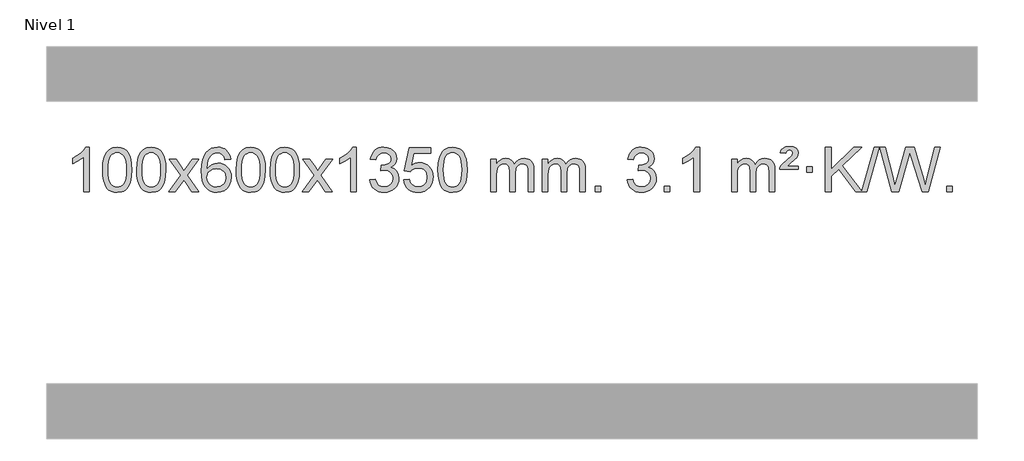
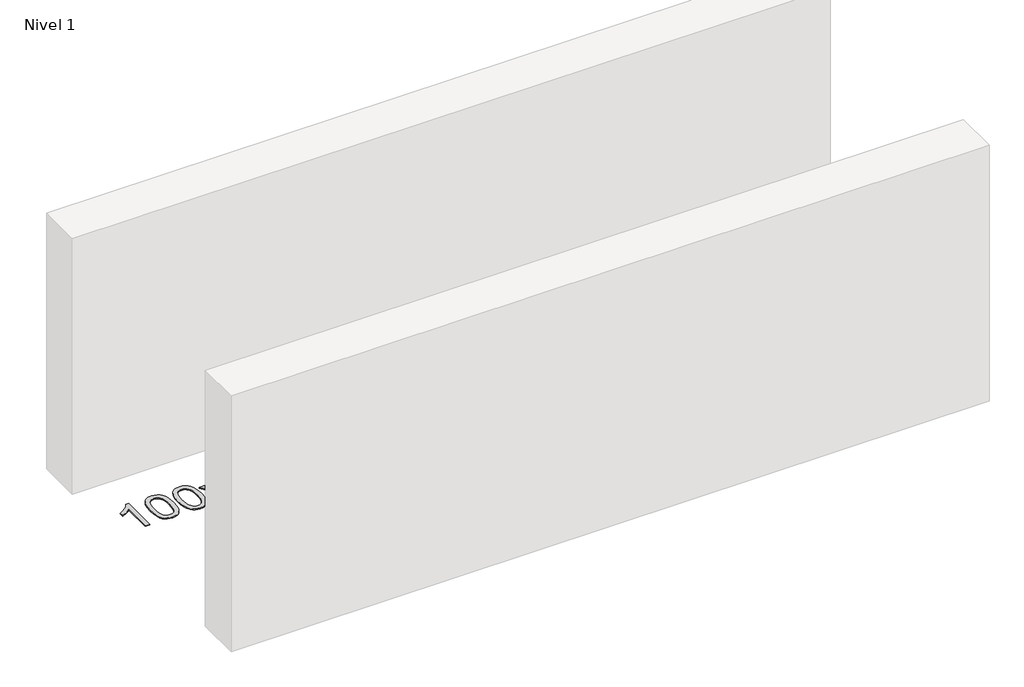
# One storey, part 5 of 15: 1 proxy.
"""IFC4 building model written with IfcOpenShell, lengths in millimetres."""

from ifc_helpers import new_model, si_unit, origin, origin_with_axes, place, context, project, spatial, polyline, outline, extrude, element, save

model = new_model("IFC4")

# Units and contexts
model_context = context("Model", 3, world=origin())
ifc_project = project(units=[si_unit("LENGTHUNIT", "METRE", prefix="MILLI")], contexts=[model_context])

# Site, building, storey
site = spatial("IfcSite", under=ifc_project)
building = spatial("IfcBuilding", under=site)
storey = spatial("IfcBuildingStorey", under=building, Name="Nivel 1", Elevation=0.0)

# Proxy
placement = place(None, origin())
element("IfcBuildingElementProxy", 1, Name="Texto de modelo 1", ObjectType="Texto de modelo 1", at=placement, inside=storey, context=model_context, shape_type="SweptSolid", body=[
    extrude(outline(polyline([(-25791.6185243, -6674.6168569), (-25841.8466794, -6674.6168569), (-25841.8466794, -6361.4757026), (-25862.8159531, -6378.4350626), (-25889.4260841, -6395.3698971), (-25942.3029895, -6420.7292293), (-25942.3029895, -6373.2479264), (-25902.8537769, -6351.7881434), (-25868.6775396, -6326.2571329), (-25841.7363148, -6299.1074417), (-25823.9921399, -6272.7916163), (-25791.6185243, -6272.7916163), (-25791.6185243, -6674.6168569)])), origin_with_axes(), (0.0, 0.0, 1.0), 10.0),
    extrude(outline(polyline([(-25672.326656, -6476.9415981), (-25668.6355733, -6412.6235626), (-25657.5623253, -6361.3285498), (-25639.2172764, -6322.2717446), (-25627.3592135, -6307.0383643), (-25613.7107915, -6294.6683323), (-25598.2260251, -6285.097269), (-25580.8589293, -6278.2607953), (-25540.4777489, -6272.7916163), (-25509.5266104, -6276.0289778), (-25481.8128334, -6285.7410625), (-25458.6362678, -6301.5477256), (-25441.296763, -6323.0688223), (-25428.200164, -6350.1204117), (-25417.7523154, -6382.5185527), (-25410.9097102, -6423.6600225), (-25408.6288419, -6476.9415981), (-25412.2831364, -6540.8917516), (-25423.2460198, -6592.0641372), (-25441.480704, -6631.1577305), (-25453.3111759, -6646.437096), (-25466.9504008, -6658.8715075), (-25482.4535613, -6668.5069501), (-25499.8758394, -6675.3894091), (-25540.4777489, -6680.8953763), (-25568.142475, -6678.5041433), (-25592.6679413, -6671.3304444), (-25614.054148, -6659.3742795), (-25632.3010949, -6642.6356488), (-25649.8122779, -6612.3773547), (-25662.3202657, -6574.6755815), (-25669.8250584, -6529.5303293), (-25672.326656, -6476.9415981)]), holes=[polyline([(-25622.0985009, -6476.8434963), (-25620.626973, -6520.5080234), (-25616.212389, -6555.8522861), (-25608.8547491, -6582.8762843), (-25598.5540532, -6601.5800181), (-25586.0951163, -6614.3056694), (-25572.2627533, -6623.3954204), (-25557.0569642, -6628.849271), (-25540.4777489, -6630.6672212), (-25523.8985337, -6628.8431396), (-25508.6927446, -6623.3708949), (-25494.8603815, -6614.2504871), (-25482.4014446, -6601.4819162), (-25472.1007488, -6582.7475256), (-25464.7431089, -6555.7296588), (-25460.3285249, -6520.4283156), (-25458.8569969, -6476.8434963), (-25460.279474, -6434.3347317), (-25464.5469051, -6399.6128027), (-25471.6592904, -6372.6777093), (-25481.6166297, -6353.5294515), (-25493.8671002, -6340.1814664), (-25507.8588787, -6330.6471914), (-25523.5919654, -6324.9266264), (-25541.0663601, -6323.0197713), (-25557.5597363, -6324.6997658), (-25572.508008, -6329.7397491), (-25585.9111753, -6338.1397213), (-25597.7692383, -6349.8996825), (-25608.4132907, -6370.7463289), (-25616.0161853, -6398.8525133), (-25620.577922, -6434.2182358), (-25622.0985009, -6476.8434963)])]), origin_with_axes(), (0.0, 0.0, 1.0), 10.0),
    extrude(outline(polyline([(-25364.6792062, -6476.9415981), (-25360.9881235, -6412.6235626), (-25349.9148754, -6361.3285498), (-25331.5698266, -6322.2717446), (-25319.7117636, -6307.0383643), (-25306.0633416, -6294.6683323), (-25290.5785753, -6285.097269), (-25273.2114794, -6278.2607953), (-25232.8302991, -6272.7916163), (-25201.8791606, -6276.0289778), (-25174.1653836, -6285.7410625), (-25150.9888179, -6301.5477256), (-25133.6493132, -6323.0688223), (-25120.5527142, -6350.1204117), (-25110.1048655, -6382.5185527), (-25103.2622604, -6423.6600225), (-25100.981392, -6476.9415981), (-25104.6356865, -6540.8917516), (-25115.59857, -6592.0641372), (-25133.8332542, -6631.1577305), (-25145.663726, -6646.437096), (-25159.302951, -6658.8715075), (-25174.8061114, -6668.5069501), (-25192.2283896, -6675.3894091), (-25232.8302991, -6680.8953763), (-25260.4950251, -6678.5041433), (-25285.0204915, -6671.3304444), (-25306.4066981, -6659.3742795), (-25324.6536451, -6642.6356488), (-25342.1648281, -6612.3773547), (-25354.6728159, -6574.6755815), (-25362.1776086, -6529.5303293), (-25364.6792062, -6476.9415981)]), holes=[polyline([(-25314.4510511, -6476.8434963), (-25312.9795231, -6520.5080234), (-25308.5649392, -6555.8522861), (-25301.2072993, -6582.8762843), (-25290.9066034, -6601.5800181), (-25278.4476665, -6614.3056694), (-25264.6153035, -6623.3954204), (-25249.4095144, -6628.849271), (-25232.8302991, -6630.6672212), (-25216.2510839, -6628.8431396), (-25201.0452947, -6623.3708949), (-25187.2129317, -6614.2504871), (-25174.7539948, -6601.4819162), (-25164.4532989, -6582.7475256), (-25157.095659, -6555.7296588), (-25152.6810751, -6520.4283156), (-25151.2095471, -6476.8434963), (-25152.6320242, -6434.3347317), (-25156.8994553, -6399.6128027), (-25164.0118405, -6372.6777093), (-25173.9691799, -6353.5294515), (-25186.2196503, -6340.1814664), (-25200.2114289, -6330.6471914), (-25215.9445155, -6324.9266264), (-25233.4189103, -6323.0197713), (-25249.9122864, -6324.6997658), (-25264.8605582, -6329.7397491), (-25278.2637255, -6338.1397213), (-25290.1217885, -6349.8996825), (-25300.7658409, -6370.7463289), (-25308.3687355, -6398.8525133), (-25312.9304722, -6434.2182358), (-25314.4510511, -6476.8434963)])]), origin_with_axes(), (0.0, 0.0, 1.0), 10.0),
    extrude(outline(polyline([(-25075.8673145, -6674.6168569), (-24968.5438738, -6526.2868364), (-25069.5887951, -6379.5264458), (-25009.158046, -6379.5264458), (-24960.4014189, -6450.1597889), (-24937.6417862, -6483.5144231), (-24917.9233112, -6456.2421045), (-24862.3976554, -6379.5264458), (-24801.9669064, -6379.5264458), (-24908.1131247, -6526.2868364), (-24805.890981, -6674.6168569), (-24866.32173, -6674.6168569), (-24927.8315996, -6585.4422612), (-24939.1133142, -6569.1573516), (-25015.4365654, -6674.6168569), (-25075.8673145, -6674.6168569)])), origin_with_axes(), (0.0, 0.0, 1.0), 10.0),
    extrude(outline(polyline([(-24517.0790893, -6379.5264458), (-24567.3072444, -6385.8049652), (-24575.4006483, -6360.9116168), (-24586.3390063, -6343.9154687), (-24609.1231645, -6328.2436957), (-24636.6652632, -6323.0197713), (-24660.0135072, -6326.0609292), (-24681.988325, -6335.1844027), (-24700.8606714, -6354.4001055), (-24716.2749269, -6380.850821), (-24726.6859874, -6418.2644199), (-24730.5487484, -6470.3687731), (-24710.4010778, -6446.8611137), (-24686.2557561, -6430.2941611), (-24659.4616842, -6420.4717119), (-24631.3677625, -6417.1975621), (-24607.2347036, -6419.4355109), (-24584.9655801, -6426.1493573), (-24564.5603921, -6437.3391013), (-24546.0191396, -6453.004743), (-24530.6110154, -6472.2143145), (-24519.6052123, -6494.0358482), (-24513.0017305, -6518.469344), (-24510.8005699, -6545.514802), (-24514.9453737, -6581.4813984), (-24527.3797852, -6614.8237699), (-24547.0737346, -6643.1016326), (-24572.9971526, -6663.8747026), (-24603.9728166, -6676.6402078), (-24638.8235042, -6680.8953763), (-24668.766033, -6678.0749476), (-24695.8084253, -6669.6136617), (-24719.9506812, -6655.5115186), (-24741.1928008, -6635.7685182), (-24758.5108457, -6609.5507947), (-24770.8808778, -6576.0244822), (-24778.302897, -6535.1895807), (-24780.7769034, -6487.0460903), (-24778.0300512, -6433.0716702), (-24769.7894945, -6387.006713), (-24756.0552334, -6348.8512188), (-24736.8272677, -6318.6051874), (-24715.9867527, -6298.56175), (-24691.823037, -6284.2450091), (-24664.3361206, -6275.6549645), (-24633.5260035, -6272.7916163), (-24610.3923574, -6274.5635812), (-24589.4537405, -6279.879476), (-24570.7101528, -6288.7393008), (-24554.1615944, -6301.1430554), (-24540.255655, -6316.6738069), (-24529.4399243, -6334.9146225), (-24521.7144024, -6355.8655021), (-24517.0790893, -6379.5264458)]), holes=[polyline([(-24730.5487484, -6544.7299871), (-24727.6424806, -6566.9868478), (-24718.9236773, -6588.2381644), (-24705.3856199, -6606.5096368), (-24688.0215897, -6619.8269651), (-24667.0645787, -6627.9571571), (-24642.7475788, -6630.6672212), (-24609.6014111, -6625.0508894), (-24595.6862746, -6618.0304746), (-24583.5431031, -6608.201894), (-24573.6930627, -6595.9636863), (-24566.6573195, -6581.7143904), (-24561.028725, -6547.1825337), (-24566.5837431, -6514.036366), (-24573.5275158, -6500.4155351), (-24583.2487975, -6488.7628729), (-24595.4287572, -6479.4278673), (-24609.7485639, -6472.7600061), (-24644.807718, -6467.4257172), (-24677.9048349, -6472.7600061), (-24705.5818236, -6488.7628729), (-24716.5048532, -6500.2622509), (-24724.3070172, -6513.4232293), (-24728.9883156, -6528.245808), (-24730.5487484, -6544.7299871)])]), origin_with_axes(), (0.0, 0.0, 1.0), 10.0),
    extrude(outline(polyline([(-24466.8509342, -6476.9415981), (-24463.1598515, -6412.6235626), (-24452.0866035, -6361.3285498), (-24433.7415547, -6322.2717446), (-24421.8834917, -6307.0383643), (-24408.2350697, -6294.6683323), (-24392.7503033, -6285.097269), (-24375.3832075, -6278.2607953), (-24335.0020271, -6272.7916163), (-24304.0508886, -6276.0289778), (-24276.3371117, -6285.7410625), (-24253.160546, -6301.5477256), (-24235.8210412, -6323.0688223), (-24222.7244422, -6350.1204117), (-24212.2765936, -6382.5185527), (-24205.4339884, -6423.6600225), (-24203.1531201, -6476.9415981), (-24206.8074146, -6540.8917516), (-24217.770298, -6592.0641372), (-24236.0049822, -6631.1577305), (-24247.8354541, -6646.437096), (-24261.474679, -6658.8715075), (-24276.9778395, -6668.5069501), (-24294.4001176, -6675.3894091), (-24335.0020271, -6680.8953763), (-24362.6667532, -6678.5041433), (-24387.1922195, -6671.3304444), (-24408.5784262, -6659.3742795), (-24426.8253731, -6642.6356488), (-24444.3365561, -6612.3773547), (-24456.844544, -6574.6755815), (-24464.3493367, -6529.5303293), (-24466.8509342, -6476.9415981)]), holes=[polyline([(-24416.6227791, -6476.8434963), (-24415.1512512, -6520.5080234), (-24410.7366672, -6555.8522861), (-24403.3790273, -6582.8762843), (-24393.0783315, -6601.5800181), (-24380.6193946, -6614.3056694), (-24366.7870315, -6623.3954204), (-24351.5812424, -6628.849271), (-24335.0020271, -6630.6672212), (-24318.4228119, -6628.8431396), (-24303.2170228, -6623.3708949), (-24289.3846597, -6614.2504871), (-24276.9257228, -6601.4819162), (-24266.625027, -6582.7475256), (-24259.2673871, -6555.7296588), (-24254.8528031, -6520.4283156), (-24253.3812752, -6476.8434963), (-24254.8037522, -6434.3347317), (-24259.0711833, -6399.6128027), (-24266.1835686, -6372.6777093), (-24276.1409079, -6353.5294515), (-24288.3913784, -6340.1814664), (-24302.3831569, -6330.6471914), (-24318.1162436, -6324.9266264), (-24335.5906383, -6323.0197713), (-24352.0840145, -6324.6997658), (-24367.0322862, -6329.7397491), (-24380.4354536, -6338.1397213), (-24392.2935165, -6349.8996825), (-24402.9375689, -6370.7463289), (-24410.5404635, -6398.8525133), (-24415.1022002, -6434.2182358), (-24416.6227791, -6476.8434963)])]), origin_with_axes(), (0.0, 0.0, 1.0), 10.0),
    extrude(outline(polyline([(-24159.2034844, -6476.9415981), (-24155.5124017, -6412.6235626), (-24144.4391536, -6361.3285498), (-24126.0941048, -6322.2717446), (-24114.2360418, -6307.0383643), (-24100.5876198, -6294.6683323), (-24085.1028535, -6285.097269), (-24067.7357577, -6278.2607953), (-24027.3545773, -6272.7916163), (-23996.4034388, -6276.0289778), (-23968.6896618, -6285.7410625), (-23945.5130961, -6301.5477256), (-23928.1735914, -6323.0688223), (-23915.0769924, -6350.1204117), (-23904.6291437, -6382.5185527), (-23897.7865386, -6423.6600225), (-23895.5056702, -6476.9415981), (-23899.1599647, -6540.8917516), (-23910.1228482, -6592.0641372), (-23928.3575324, -6631.1577305), (-23940.1880042, -6646.437096), (-23953.8272292, -6658.8715075), (-23969.3303896, -6668.5069501), (-23986.7526678, -6675.3894091), (-24027.3545773, -6680.8953763), (-24055.0193034, -6678.5041433), (-24079.5447697, -6671.3304444), (-24100.9309764, -6659.3742795), (-24119.1779233, -6642.6356488), (-24136.6891063, -6612.3773547), (-24149.1970941, -6574.6755815), (-24156.7018868, -6529.5303293), (-24159.2034844, -6476.9415981)]), holes=[polyline([(-24108.9753293, -6476.8434963), (-24107.5038013, -6520.5080234), (-24103.0892174, -6555.8522861), (-24095.7315775, -6582.8762843), (-24085.4308816, -6601.5800181), (-24072.9719447, -6614.3056694), (-24059.1395817, -6623.3954204), (-24043.9337926, -6628.849271), (-24027.3545773, -6630.6672212), (-24010.7753621, -6628.8431396), (-23995.5695729, -6623.3708949), (-23981.7372099, -6614.2504871), (-23969.278273, -6601.4819162), (-23958.9775771, -6582.7475256), (-23951.6199372, -6555.7296588), (-23947.2053533, -6520.4283156), (-23945.7338253, -6476.8434963), (-23947.1563024, -6434.3347317), (-23951.4237335, -6399.6128027), (-23958.5361188, -6372.6777093), (-23968.4934581, -6353.5294515), (-23980.7439285, -6340.1814664), (-23994.7357071, -6330.6471914), (-24010.4687937, -6324.9266264), (-24027.9431885, -6323.0197713), (-24044.4365646, -6324.6997658), (-24059.3848364, -6329.7397491), (-24072.7880037, -6338.1397213), (-24084.6460667, -6349.8996825), (-24095.2901191, -6370.7463289), (-24102.8930137, -6398.8525133), (-24107.4547504, -6434.2182358), (-24108.9753293, -6476.8434963)])]), origin_with_axes(), (0.0, 0.0, 1.0), 10.0),
    extrude(outline(polyline([(-23870.3915927, -6674.6168569), (-23763.068152, -6526.2868364), (-23864.1130733, -6379.5264458), (-23803.6823242, -6379.5264458), (-23754.9256972, -6450.1597889), (-23732.1660644, -6483.5144231), (-23712.4475894, -6456.2421045), (-23656.9219336, -6379.5264458), (-23596.4911846, -6379.5264458), (-23702.6374029, -6526.2868364), (-23600.4152592, -6674.6168569), (-23660.8460083, -6674.6168569), (-23722.3558778, -6585.4422612), (-23733.6375924, -6569.1573516), (-23809.9608436, -6674.6168569), (-23870.3915927, -6674.6168569)])), origin_with_axes(), (0.0, 0.0, 1.0), 10.0),
    extrude(outline(polyline([(-23380.6670807, -6674.6168569), (-23430.8952358, -6674.6168569), (-23430.8952358, -6361.4757026), (-23451.8645095, -6378.4350626), (-23478.4746405, -6395.3698971), (-23531.351546, -6420.7292293), (-23531.351546, -6373.2479264), (-23491.9023333, -6351.7881434), (-23457.726096, -6326.2571329), (-23430.7848712, -6299.1074417), (-23413.0406963, -6272.7916163), (-23380.6670807, -6272.7916163), (-23380.6670807, -6674.6168569)])), origin_with_axes(), (0.0, 0.0, 1.0), 10.0),
    extrude(outline(polyline([(-23261.3752124, -6567.8820273), (-23211.1470573, -6561.603508), (-23199.902131, -6593.1677831), (-23183.4332804, -6614.4804134), (-23160.931165, -6626.6205192), (-23131.5864445, -6630.6672212), (-23097.1526898, -6625.0999403), (-23082.8788684, -6618.1408392), (-23070.5670843, -6608.3980977), (-23053.5709361, -6583.4802239), (-23047.9055534, -6553.2648494), (-23053.5218851, -6524.5823165), (-23070.3708805, -6501.3199117), (-23095.8773655, -6485.9056561), (-23127.4661662, -6480.7675709), (-23162.6847359, -6486.2612753), (-23157.0929295, -6436.0331203), (-23149.0485766, -6436.6217315), (-23118.9558294, -6433.0164879), (-23092.0513928, -6422.2007572), (-23080.9781447, -6414.0215142), (-23073.0686818, -6403.9047594), (-23068.3230041, -6391.8504926), (-23066.7411115, -6377.8587141), (-23071.3273737, -6356.1659391), (-23085.0861603, -6338.568917), (-23106.0799595, -6326.9070578), (-23132.3712594, -6323.0197713), (-23158.7116103, -6326.943846), (-23180.2449698, -6338.7160698), (-23195.9657937, -6358.3364429), (-23204.868538, -6385.8049652), (-23255.096693, -6379.5264458), (-23249.1431361, -6355.5466711), (-23240.3078368, -6334.4241132), (-23228.5907953, -6316.1587721), (-23213.9920114, -6300.7506479), (-23196.9713378, -6288.5185716), (-23177.9886269, -6279.7813742), (-23157.0438786, -6274.5390557), (-23134.137093, -6272.7916163), (-23102.5605551, -6276.2374443), (-23073.5591912, -6286.5749284), (-23049.1073012, -6302.8843635), (-23031.1791853, -6324.2460447), (-23020.1795137, -6348.8573501), (-23016.5129564, -6374.9156581), (-23019.9955727, -6399.1958698), (-23030.4434213, -6421.2197386), (-23047.7093496, -6439.9817203), (-23071.6462048, -6454.476271), (-23040.2045569, -6467.1804625), (-23016.9053639, -6488.8119238), (-23002.4843897, -6518.1934325), (-22997.6773983, -6554.1477662), (-23000.080894, -6579.6297257), (-23007.2913811, -6603.100597), (-23019.3088596, -6624.5603801), (-23036.1333295, -6644.0090749), (-23056.630488, -6660.1468317), (-23079.6660323, -6671.6738009), (-23105.2399623, -6678.5899824), (-23133.3522781, -6680.8953763), (-23158.7606612, -6678.9272076), (-23181.9127015, -6673.0227016), (-23202.8083988, -6663.1818582), (-23221.4477532, -6649.4046775), (-23237.0766066, -6632.5004998), (-23248.940801, -6613.2786655), (-23257.0403362, -6591.7391747), (-23261.3752124, -6567.8820273)])), origin_with_axes(), (0.0, 0.0, 1.0), 10.0),
    extrude(outline(polyline([(-22953.7277626, -6567.8820273), (-22903.4996075, -6561.603508), (-22894.2780322, -6591.7575688), (-22878.1893262, -6613.3522419), (-22855.3070661, -6626.3384764), (-22825.7048283, -6630.6672212), (-22806.5749645, -6629.1619707), (-22789.7014437, -6624.6462192), (-22775.0842657, -6617.1199667), (-22762.7234307, -6606.5832132), (-22752.8948501, -6593.5571249), (-22745.8744353, -6578.5628679), (-22740.2581035, -6542.6698479), (-22745.5188161, -6508.8737553), (-22752.0947067, -6494.9555532), (-22761.3009536, -6483.0239138), (-22773.1682137, -6473.4528505), (-22787.7271436, -6466.6163768), (-22824.9200133, -6461.1471978), (-22849.2860642, -6463.3299643), (-22869.0168018, -6469.8782638), (-22884.774414, -6479.9091796), (-22897.2210881, -6492.5397947), (-22947.4492432, -6486.2612753), (-22903.4996075, -6279.0701357), (-22708.8655066, -6279.0701357), (-22708.8655066, -6329.2982907), (-22862.8854352, -6329.2982907), (-22884.3697438, -6439.9571949), (-22866.643963, -6427.2530033), (-22848.4889865, -6418.1785808), (-22829.9048144, -6412.7339272), (-22810.8914466, -6410.9190427), (-22786.4303596, -6413.1692543), (-22763.9619667, -6419.9198889), (-22743.486268, -6431.1709466), (-22725.0032635, -6446.9224273), (-22709.7024381, -6466.2117066), (-22698.7732772, -6488.0761598), (-22692.2157806, -6512.5157871), (-22690.0299484, -6539.5305882), (-22691.9981171, -6565.552108), (-22697.9026231, -6589.7587433), (-22707.7434665, -6612.1504941), (-22721.5206472, -6632.7273604), (-22742.3918191, -6653.8008673), (-22766.7456072, -6668.8533723), (-22794.5820115, -6677.8848753), (-22825.901032, -6680.8953763), (-22851.8213842, -6678.9609301), (-22875.2340076, -6673.1575916), (-22896.1389019, -6663.4853608), (-22914.5360674, -6649.9442377), (-22929.8430241, -6633.2086726), (-22941.4772922, -6613.9531159), (-22949.4388717, -6592.1775674), (-22953.7277626, -6567.8820273)])), origin_with_axes(), (0.0, 0.0, 1.0), 10.0),
    extrude(outline(polyline([(-22646.0803128, -6476.9415981), (-22642.3892301, -6412.6235626), (-22631.315982, -6361.3285498), (-22612.9709332, -6322.2717446), (-22601.1128702, -6307.0383643), (-22587.4644482, -6294.6683323), (-22571.9796819, -6285.097269), (-22554.612586, -6278.2607953), (-22514.2314057, -6272.7916163), (-22483.2802672, -6276.0289778), (-22455.5664902, -6285.7410625), (-22432.3899245, -6301.5477256), (-22415.0504198, -6323.0688223), (-22401.9538208, -6350.1204117), (-22391.5059721, -6382.5185527), (-22384.663367, -6423.6600225), (-22382.3824986, -6476.9415981), (-22386.0367931, -6540.8917516), (-22396.9996766, -6592.0641372), (-22415.2343608, -6631.1577305), (-22427.0648326, -6646.437096), (-22440.7040576, -6658.8715075), (-22456.207218, -6668.5069501), (-22473.6294962, -6675.3894091), (-22514.2314057, -6680.8953763), (-22541.8961317, -6678.5041433), (-22566.4215981, -6671.3304444), (-22587.8078047, -6659.3742795), (-22606.0547517, -6642.6356488), (-22623.5659347, -6612.3773547), (-22636.0739225, -6574.6755815), (-22643.5787152, -6529.5303293), (-22646.0803128, -6476.9415981)]), holes=[polyline([(-22595.8521577, -6476.8434963), (-22594.3806297, -6520.5080234), (-22589.9660458, -6555.8522861), (-22582.6084059, -6582.8762843), (-22572.30771, -6601.5800181), (-22559.8487731, -6614.3056694), (-22546.0164101, -6623.3954204), (-22530.8106209, -6628.849271), (-22514.2314057, -6630.6672212), (-22497.6521904, -6628.8431396), (-22482.4464013, -6623.3708949), (-22468.6140383, -6614.2504871), (-22456.1551014, -6601.4819162), (-22445.8544055, -6582.7475256), (-22438.4967656, -6555.7296588), (-22434.0821817, -6520.4283156), (-22432.6106537, -6476.8434963), (-22434.0331307, -6434.3347317), (-22438.3005619, -6399.6128027), (-22445.4129471, -6372.6777093), (-22455.3702865, -6353.5294515), (-22467.6207569, -6340.1814664), (-22481.6125354, -6330.6471914), (-22497.3456221, -6324.9266264), (-22514.8200169, -6323.0197713), (-22531.313393, -6324.6997658), (-22546.2616647, -6329.7397491), (-22559.6648321, -6338.1397213), (-22571.5228951, -6349.8996825), (-22582.1669475, -6370.7463289), (-22589.769842, -6398.8525133), (-22594.3315788, -6434.2182358), (-22595.8521577, -6476.8434963)])]), origin_with_axes(), (0.0, 0.0, 1.0), 10.0),
    extrude(outline(polyline([(-22168.9128395, -6674.6168569), (-22168.9128395, -6379.5264458), (-22118.6846845, -6379.5264458), (-22118.6846845, -6428.0868692), (-22103.5769972, -6405.7809575), (-22084.1528279, -6388.3065628), (-22061.074364, -6377.0125855), (-22035.0037933, -6373.2479264), (-22007.0692871, -6377.0861619), (-21984.6775364, -6388.6008684), (-21967.9511683, -6407.0317563), (-21957.0128103, -6431.6185363), (-21938.7045497, -6406.0813945), (-21917.8211151, -6387.8405789), (-21894.3625065, -6376.8960895), (-21868.328724, -6373.2479264), (-21848.2209073, -6374.7654397), (-21830.5717686, -6379.3179793), (-21815.3813079, -6386.9055455), (-21802.6495251, -6397.5281381), (-21792.5848869, -6411.3083845), (-21785.3958596, -6428.368912), (-21781.0824432, -6448.7097207), (-21779.6446377, -6472.3308105), (-21779.6446377, -6674.6168569), (-21829.8727928, -6674.6168569), (-21829.8727928, -6493.9132208), (-21831.0377524, -6468.860457), (-21834.5326314, -6451.9746734), (-21841.0809309, -6440.410916), (-21851.4061522, -6431.3242307), (-21864.6866923, -6425.4381188), (-21880.1009479, -6423.4760815), (-21907.3119528, -6428.5038021), (-21929.4952371, -6443.5869639), (-21938.1006101, -6455.1568526), (-21944.2473051, -6469.7556365), (-21949.1646611, -6508.0398895), (-21949.1646611, -6674.6168569), (-21999.3928162, -6674.6168569), (-21999.3928162, -6488.3214145), (-22002.2990839, -6459.9209245), (-22011.0178872, -6439.6628893), (-22026.3585664, -6427.5227834), (-22049.1304619, -6423.4760815), (-22068.4810549, -6426.1738828), (-22086.3110689, -6434.2672867), (-22101.0263487, -6447.5600894), (-22111.032739, -6465.8560873), (-22116.7716981, -6491.239945), (-22118.6846845, -6525.7963271), (-22118.6846845, -6674.6168569), (-22168.9128395, -6674.6168569)])), origin_with_axes(), (0.0, 0.0, 1.0), 10.0),
    extrude(outline(polyline([(-21704.3024051, -6674.6168569), (-21704.3024051, -6379.5264458), (-21654.07425, -6379.5264458), (-21654.07425, -6428.0868692), (-21638.9665628, -6405.7809575), (-21619.5423934, -6388.3065628), (-21596.4639296, -6377.0125855), (-21570.3933589, -6373.2479264), (-21542.4588527, -6377.0861619), (-21520.0671019, -6388.6008684), (-21503.3407339, -6407.0317563), (-21492.4023759, -6431.6185363), (-21474.0941153, -6406.0813945), (-21453.2106807, -6387.8405789), (-21429.7520721, -6376.8960895), (-21403.7182896, -6373.2479264), (-21383.6104729, -6374.7654397), (-21365.9613341, -6379.3179793), (-21350.7708734, -6386.9055455), (-21338.0390907, -6397.5281381), (-21327.9744525, -6411.3083845), (-21320.7854251, -6428.368912), (-21316.4720087, -6448.7097207), (-21315.0342033, -6472.3308105), (-21315.0342033, -6674.6168569), (-21365.2623584, -6674.6168569), (-21365.2623584, -6493.9132208), (-21366.427318, -6468.860457), (-21369.922197, -6451.9746734), (-21376.4704965, -6440.410916), (-21386.7957178, -6431.3242307), (-21400.0762578, -6425.4381188), (-21415.4905134, -6423.4760815), (-21442.7015183, -6428.5038021), (-21464.8848026, -6443.5869639), (-21473.4901756, -6455.1568526), (-21479.6368707, -6469.7556365), (-21484.5542267, -6508.0398895), (-21484.5542267, -6674.6168569), (-21534.7823817, -6674.6168569), (-21534.7823817, -6488.3214145), (-21537.6886495, -6459.9209245), (-21546.4074528, -6439.6628893), (-21561.748132, -6427.5227834), (-21584.5200275, -6423.4760815), (-21603.8706204, -6426.1738828), (-21621.7006345, -6434.2672867), (-21636.4159143, -6447.5600894), (-21646.4223045, -6465.8560873), (-21652.1612637, -6491.239945), (-21654.07425, -6525.7963271), (-21654.07425, -6674.6168569), (-21704.3024051, -6674.6168569)])), origin_with_axes(), (0.0, 0.0, 1.0), 10.0),
    extrude(outline(polyline([(-21227.1349319, -6674.6168569), (-21227.1349319, -6624.3887018), (-21176.9067768, -6624.3887018), (-21176.9067768, -6674.6168569), (-21227.1349319, -6674.6168569)])), origin_with_axes(), (0.0, 0.0, 1.0), 10.0),
    extrude(outline(polyline([(-20938.3230402, -6567.8820273), (-20888.0948851, -6561.603508), (-20876.8499588, -6593.1677831), (-20860.3811082, -6614.4804134), (-20837.8789928, -6626.6205192), (-20808.5342723, -6630.6672212), (-20774.1005176, -6625.0999403), (-20759.8266962, -6618.1408392), (-20747.514912, -6608.3980977), (-20730.5187639, -6583.4802239), (-20724.8533811, -6553.2648494), (-20730.4697129, -6524.5823165), (-20747.3187083, -6501.3199117), (-20772.8251933, -6485.9056561), (-20804.413994, -6480.7675709), (-20839.6325636, -6486.2612753), (-20834.0407573, -6436.0331203), (-20825.9964044, -6436.6217315), (-20795.9036571, -6433.0164879), (-20768.9992206, -6422.2007572), (-20757.9259725, -6414.0215142), (-20750.0165096, -6403.9047594), (-20745.2708319, -6391.8504926), (-20743.6889393, -6377.8587141), (-20748.2752015, -6356.1659391), (-20762.0339881, -6338.568917), (-20783.0277873, -6326.9070578), (-20809.3190872, -6323.0197713), (-20835.6594381, -6326.943846), (-20857.1927975, -6338.7160698), (-20872.9136215, -6358.3364429), (-20881.8163658, -6385.8049652), (-20932.0445208, -6379.5264458), (-20926.0909639, -6355.5466711), (-20917.2556646, -6334.4241132), (-20905.5386231, -6316.1587721), (-20890.9398392, -6300.7506479), (-20873.9191656, -6288.5185716), (-20854.9364546, -6279.7813742), (-20833.9917064, -6274.5390557), (-20811.0849208, -6272.7916163), (-20779.5083829, -6276.2374443), (-20750.5070189, -6286.5749284), (-20726.055129, -6302.8843635), (-20708.1270131, -6324.2460447), (-20697.1273414, -6348.8573501), (-20693.4607842, -6374.9156581), (-20696.9434004, -6399.1958698), (-20707.3912491, -6421.2197386), (-20724.6571774, -6439.9817203), (-20748.5940326, -6454.476271), (-20717.1523847, -6467.1804625), (-20693.8531917, -6488.8119238), (-20679.4322175, -6518.1934325), (-20674.6252261, -6554.1477662), (-20677.0287218, -6579.6297257), (-20684.2392089, -6603.100597), (-20696.2566874, -6624.5603801), (-20713.0811573, -6644.0090749), (-20733.5783158, -6660.1468317), (-20756.6138601, -6671.6738009), (-20782.1877901, -6678.5899824), (-20810.3001059, -6680.8953763), (-20835.708489, -6678.9272076), (-20858.8605293, -6673.0227016), (-20879.7562266, -6663.1818582), (-20898.395581, -6649.4046775), (-20914.0244344, -6632.5004998), (-20925.8886288, -6613.2786655), (-20933.988164, -6591.7391747), (-20938.3230402, -6567.8820273)])), origin_with_axes(), (0.0, 0.0, 1.0), 10.0),
    extrude(outline(polyline([(-20605.5615128, -6674.6168569), (-20605.5615128, -6624.3887018), (-20555.3333578, -6624.3887018), (-20555.3333578, -6674.6168569), (-20605.5615128, -6674.6168569)])), origin_with_axes(), (0.0, 0.0, 1.0), 10.0),
    extrude(outline(polyline([(-20285.3570242, -6674.6168569), (-20335.5851793, -6674.6168569), (-20335.5851793, -6361.4757026), (-20356.554453, -6378.4350626), (-20383.164584, -6395.3698971), (-20436.0414895, -6420.7292293), (-20436.0414895, -6373.2479264), (-20396.5922769, -6351.7881434), (-20362.4160395, -6326.2571329), (-20335.4748147, -6299.1074417), (-20317.7306398, -6272.7916163), (-20285.3570242, -6272.7916163), (-20285.3570242, -6674.6168569)])), origin_with_axes(), (0.0, 0.0, 1.0), 10.0),
    extrude(outline(polyline([(-19996.5451326, -6674.6168569), (-19996.5451326, -6379.5264458), (-19946.3169775, -6379.5264458), (-19946.3169775, -6428.0868692), (-19931.2092902, -6405.7809575), (-19911.7851209, -6388.3065628), (-19888.706657, -6377.0125855), (-19862.6360863, -6373.2479264), (-19834.7015802, -6377.0861619), (-19812.3098294, -6388.6008684), (-19795.5834613, -6407.0317563), (-19784.6451033, -6431.6185363), (-19766.3368427, -6406.0813945), (-19745.4534081, -6387.8405789), (-19721.9947996, -6376.8960895), (-19695.961017, -6373.2479264), (-19675.8532003, -6374.7654397), (-19658.2040616, -6379.3179793), (-19643.0136009, -6386.9055455), (-19630.2818182, -6397.5281381), (-19620.2171799, -6411.3083845), (-19613.0281526, -6428.368912), (-19608.7147362, -6448.7097207), (-19607.2769307, -6472.3308105), (-19607.2769307, -6674.6168569), (-19657.5050858, -6674.6168569), (-19657.5050858, -6493.9132208), (-19658.6700455, -6468.860457), (-19662.1649244, -6451.9746734), (-19668.7132239, -6440.410916), (-19679.0384453, -6431.3242307), (-19692.3189853, -6425.4381188), (-19707.7332409, -6423.4760815), (-19734.9442458, -6428.5038021), (-19757.1275301, -6443.5869639), (-19765.7329031, -6455.1568526), (-19771.8795981, -6469.7556365), (-19776.7969541, -6508.0398895), (-19776.7969541, -6674.6168569), (-19827.0251092, -6674.6168569), (-19827.0251092, -6488.3214145), (-19829.9313769, -6459.9209245), (-19838.6501802, -6439.6628893), (-19853.9908594, -6427.5227834), (-19876.7627549, -6423.4760815), (-19896.1133479, -6426.1738828), (-19913.9433619, -6434.2672867), (-19928.6586417, -6447.5600894), (-19938.665032, -6465.8560873), (-19944.4039911, -6491.239945), (-19946.3169775, -6525.7963271), (-19946.3169775, -6674.6168569), (-19996.5451326, -6674.6168569)])), origin_with_axes(), (0.0, 0.0, 1.0), 10.0),
    extrude(outline(polyline([(-19563.327295, -6473.7042366), (-19559.5013223, -6457.8853108), (-19551.1626637, -6442.0173341), (-19529.6538298, -6416.878731), (-19497.6971471, -6389.1404286), (-19453.5513077, -6351.7636179), (-19446.414397, -6340.2366487), (-19444.0354267, -6328.4153739), (-19445.9238876, -6316.324319), (-19451.5892704, -6306.538658), (-19460.9579985, -6300.0639348), (-19473.9564957, -6297.9056938), (-19486.3909071, -6299.5243746), (-19495.2446005, -6304.3804169), (-19501.6702727, -6313.8472469), (-19506.8206206, -6329.2982907), (-19557.0487757, -6323.0197713), (-19546.2085195, -6297.8075919), (-19529.5802534, -6280.247358), (-19505.8150765, -6269.9466622), (-19473.5640882, -6266.5130969), (-19437.7814328, -6270.645638), (-19413.0352373, -6283.0432612), (-19398.6142631, -6301.3760473), (-19393.8072717, -6323.3140769), (-19397.9030245, -6346.2208625), (-19410.1902832, -6367.8523238), (-19430.7180985, -6387.6689006), (-19467.187467, -6415.7260341), (-19492.7920538, -6442.3116396), (-19393.8072717, -6442.3116396), (-19393.8072717, -6473.7042366), (-19563.327295, -6473.7042366)])), origin_with_axes(), (0.0, 0.0, 1.0), 10.0),
    extrude(outline(polyline([(-19318.4650391, -6498.8183141), (-19318.4650391, -6448.590159), (-19268.236884, -6448.590159), (-19268.236884, -6498.8183141), (-19318.4650391, -6498.8183141)])), origin_with_axes(), (0.0, 0.0, 1.0), 10.0),
    extrude(outline(polyline([(-18877.595256, -6674.6168569), (-19031.0265735, -6471.938403), (-19098.7168606, -6536.4894304), (-19098.7168606, -6674.6168569), (-19148.9450157, -6674.6168569), (-19148.9450157, -6272.7916163), (-19098.7168606, -6272.7916163), (-19098.7168606, -6469.4858564), (-18892.7029433, -6272.7916163), (-18822.4620077, -6272.7916163), (-18995.4155964, -6437.9951576), (-18820.7619865, -6668.5723371), (-18709.4486588, -6272.7916163), (-18664.125597, -6272.7916163), (-18777.1389459, -6674.6168569), (-18816.1834883, -6674.6168569), (-18822.4620077, -6674.6168569), (-18877.595256, -6674.6168569)])), origin_with_axes(), (0.0, 0.0, 1.0), 10.0),
    extrude(outline(polyline([(-18549.6407201, -6674.6168569), (-18659.2205037, -6272.7916163), (-18607.4227188, -6272.7916163), (-18543.85271, -6536.8818379), (-18524.2323369, -6618.404488), (-18503.2385377, -6546.299617), (-18423.5798231, -6272.7916163), (-18348.9243035, -6272.7916163), (-18291.0442029, -6471.0554862), (-18266.2489564, -6544.6318852), (-18247.977484, -6618.404488), (-18228.9457221, -6539.2362826), (-18164.7871022, -6272.7916163), (-18112.9893173, -6272.7916163), (-18222.6672028, -6674.6168569), (-18276.3289231, -6674.6168569), (-18372.6649549, -6364.6149623), (-18386.1049105, -6321.3520396), (-18401.2125977, -6373.4441302), (-18489.0137673, -6674.6168569), (-18549.6407201, -6674.6168569)])), origin_with_axes(), (0.0, 0.0, 1.0), 10.0),
    extrude(outline(polyline([(-18056.4826428, -6674.6168569), (-18056.4826428, -6624.3887018), (-18006.2544877, -6624.3887018), (-18006.2544877, -6674.6168569), (-18056.4826428, -6674.6168569)])), origin_with_axes(), (0.0, 0.0, 1.0), 10.0),
])

save(model, "model.ifc")
